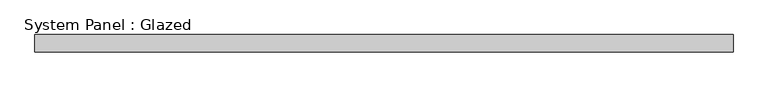
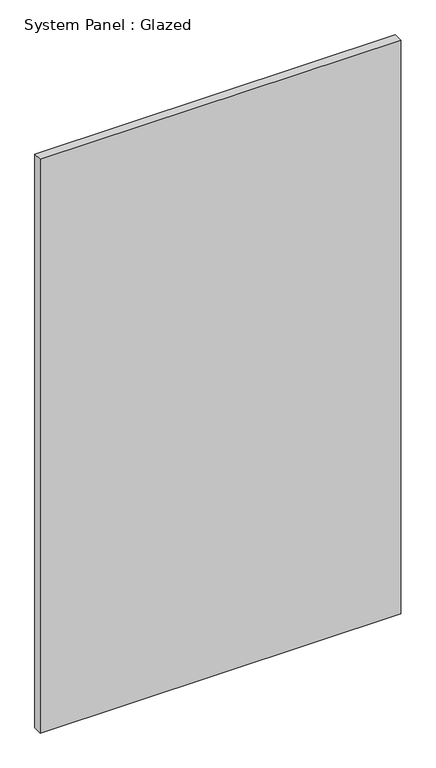
"""IFC4 building model written with IfcOpenShell, lengths in millimetres: plate geometry, System Panel : Glazed."""

from ifc_helpers import new_model, si_unit, origin, origin_with_axes, place, context, project, spatial, polyline, outline, extrude, source, transform, mapped, element, save


def system_panel_glazed_1cc010ab(model_context):
    return source(origin(), model_context, "Body", "SweptSolid", [
        extrude(outline(polyline([(509.5875, -44.45), (-509.5875, -44.45), (-509.5875, -19.05), (509.5875, -19.05), (509.5875, -44.45)])), origin_with_axes(), (0.0, 0.0, 1.0), 1714.5),
    ])


if __name__ == "__main__":
    model = new_model("IFC4")
    model_context = context("Model", 3, world=origin())
    ifc_project = project(units=[si_unit("LENGTHUNIT", "METRE", prefix="MILLI")], contexts=[model_context])
    site = spatial("IfcSite", under=ifc_project)
    building = spatial("IfcBuilding", under=site)
    placement = place(None, origin())
    system_panel_glazed_shape = system_panel_glazed_1cc010ab(model_context)
    element("IfcPlate", 1, ObjectType="System Panel : Glazed", at=placement, inside=building, context=model_context, shape_type="MappedRepresentation", body=[
        mapped(system_panel_glazed_shape, transform((0.0, 0.0, 0.0), x_axis=(1.0, 0.0, 0.0), y_axis=(0.0, 1.0, 0.0), z_axis=(0.0, 0.0, 1.0))),
    ])
    save(model, "model.ifc")
